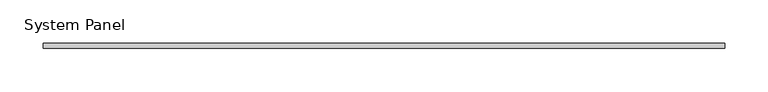
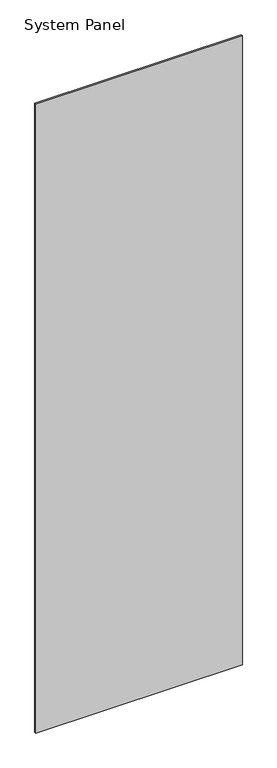
"""IFC4 building model written with IfcOpenShell, lengths in millimetres: plate geometry, System Panel."""

from ifc_helpers import new_model, si_unit, origin, origin_with_axes, place, context, project, spatial, polyline, outline, extrude, source, transform, mapped, element, save


def system_panel_3f2eb093(model_context):
    return source(origin(), model_context, "Body", "SweptSolid", [
        extrude(outline(polyline([(395.0, -3.0), (-395.0, -3.0), (-395.0, 3.0), (395.0, 3.0), (395.0, -3.0)])), origin_with_axes(), (0.0, 0.0, 1.0), 2540.0),
    ])


if __name__ == "__main__":
    model = new_model("IFC4")
    model_context = context("Model", 3, world=origin())
    ifc_project = project(units=[si_unit("LENGTHUNIT", "METRE", prefix="MILLI")], contexts=[model_context])
    site = spatial("IfcSite", under=ifc_project)
    building = spatial("IfcBuilding", under=site)
    placement = place(None, origin())
    system_panel_shape = system_panel_3f2eb093(model_context)
    element("IfcPlate", 1, ObjectType="System Panel", at=placement, inside=building, context=model_context, shape_type="MappedRepresentation", body=[
        mapped(system_panel_shape, transform((0.0, 0.0, 0.0), x_axis=(1.0, 0.0, 0.0), y_axis=(0.0, 1.0, 0.0), z_axis=(0.0, 0.0, 1.0))),
    ])
    save(model, "model.ifc")
